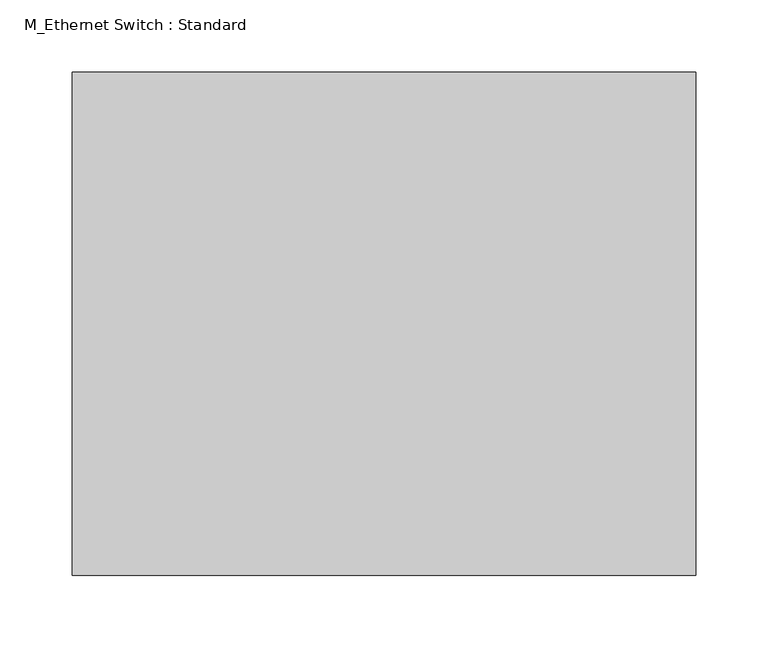
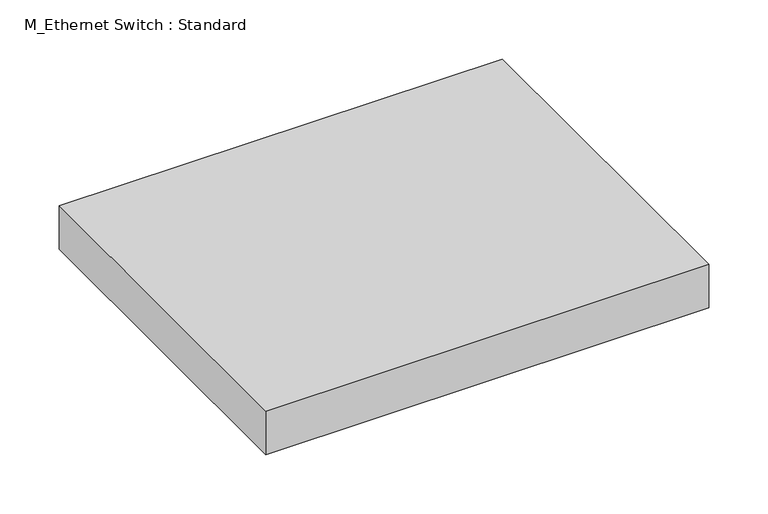
"""IFC4 building model written with IfcOpenShell, lengths in millimetres: proxy geometry, M_Ethernet Switch : Standard."""

from ifc_helpers import new_model, si_unit, origin, origin_with_axes, place, context, project, spatial, polyline, outline, extrude, source, transform, mapped, element, save


def m_ethernet_switch_standard_5c8040eb(model_context):
    return source(origin(), model_context, "Body", "SweptSolid", [
        extrude(outline(polyline([(216.05, 174.5), (216.05, -174.5), (-216.05, -174.5), (-216.05, 174.5), (216.05, 174.5)])), origin_with_axes(), (0.0, 0.0, 1.0), 44.9),
    ])


if __name__ == "__main__":
    model = new_model("IFC4")
    model_context = context("Model", 3, world=origin())
    ifc_project = project(units=[si_unit("LENGTHUNIT", "METRE", prefix="MILLI")], contexts=[model_context])
    site = spatial("IfcSite", under=ifc_project)
    building = spatial("IfcBuilding", under=site)
    placement = place(None, origin())
    m_ethernet_switch_standard_shape = m_ethernet_switch_standard_5c8040eb(model_context)
    element("IfcBuildingElementProxy", 1, Name="M_Ethernet Switch : Standard", ObjectType="M_Ethernet Switch : Standard", at=placement, inside=building, context=model_context, shape_type="MappedRepresentation", body=[
        mapped(m_ethernet_switch_standard_shape, transform((0.0, 0.0, 0.0), x_axis=(1.0, 0.0, 0.0), y_axis=(0.0, 1.0, 0.0), z_axis=(0.0, 0.0, 1.0))),
    ])
    save(model, "model.ifc")
